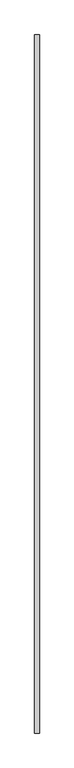
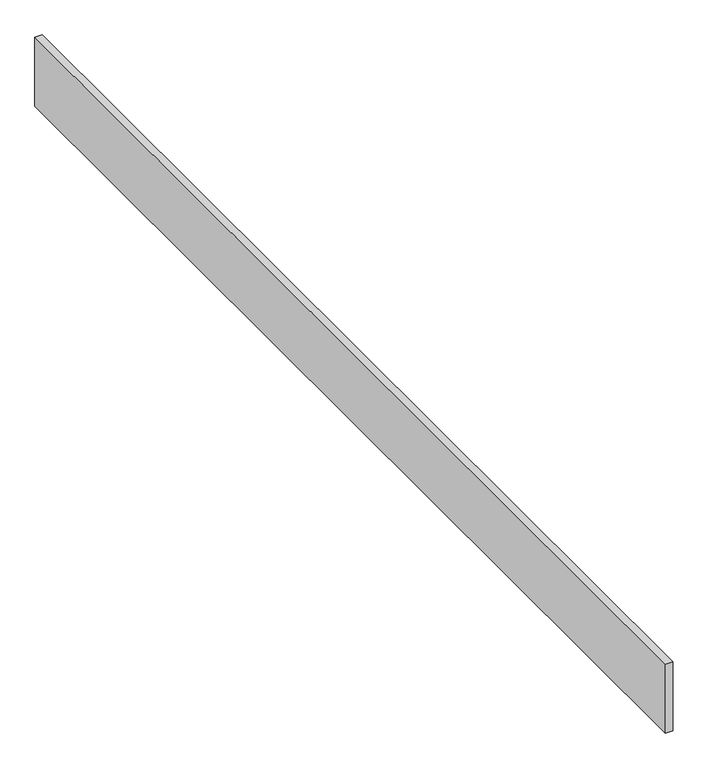
"""IFC4 building model written with IfcOpenShell, lengths in millimetres: proxy geometry."""

from ifc_helpers import new_model, si_unit, origin, origin_with_axes, place, context, project, spatial, polyline, outline, extrude, source, transform, mapped, element, save


def generic_models_8012d709(model_context):
    return source(origin(), model_context, "Body", "SweptSolid", [
        extrude(outline(polyline([(0.0, -1200.0), (-20.0, -1200.0), (-20.0, 1800.0), (0.0, 1800.0), (0.0, -1200.0)])), origin_with_axes(), (0.0, 0.0, 1.0), 200.0),
    ])


if __name__ == "__main__":
    model = new_model("IFC4")
    model_context = context("Model", 3, world=origin())
    ifc_project = project(units=[si_unit("LENGTHUNIT", "METRE", prefix="MILLI")], contexts=[model_context])
    site = spatial("IfcSite", under=ifc_project)
    building = spatial("IfcBuilding", under=site)
    placement = place(None, origin())
    generic_models_shape = generic_models_8012d709(model_context)
    element("IfcBuildingElementProxy", 1, Name="Generic Models", at=placement, inside=building, context=model_context, shape_type="MappedRepresentation", body=[
        mapped(generic_models_shape, transform((0.0, 0.0, 0.0), x_axis=(1.0, 0.0, 0.0), y_axis=(0.0, 1.0, 0.0), z_axis=(0.0, 0.0, 1.0))),
    ])
    save(model, "model.ifc")
